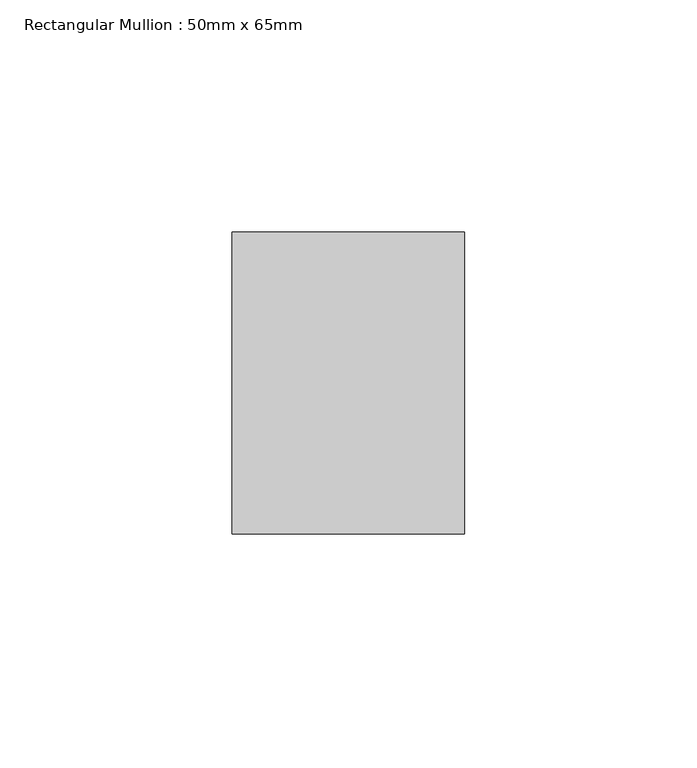
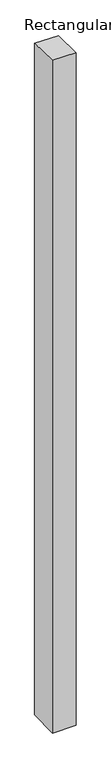
"""IFC4 building model written with IfcOpenShell, lengths in millimetres: member geometry, Rectangular Mullion : 50mm x 65mm."""

from ifc_helpers import new_model, si_unit, origin, place, context, project, spatial, faceted_brep, source, transform, mapped, element, save


def rectangular_mullion_50mm_x_65mm_1185644e(model_context):
    return source(origin(), model_context, "Body", "Brep", [
        faceted_brep([(-25.0, 32.5, -0.7127062), (25.0, 32.5, -0.7127107), (25.0, 32.5, -1499.1016172), (-25.0, 32.5, -1499.1016229), (-25.0, -32.5, 0.7127107), (-25.0, -32.5, -1500.897551), (25.0, -32.5, 0.7127062), (25.0, -32.5, -1500.8975453)], [[[0, 1, 2, 3]], [[4, 0, 3, 5]], [[6, 4, 5, 7]], [[1, 6, 7, 2]], [[1, 0, 4, 6]], [[2, 7, 5, 3]]]),
    ])


if __name__ == "__main__":
    model = new_model("IFC4")
    model_context = context("Model", 3, world=origin())
    ifc_project = project(units=[si_unit("LENGTHUNIT", "METRE", prefix="MILLI")], contexts=[model_context])
    site = spatial("IfcSite", under=ifc_project)
    building = spatial("IfcBuilding", under=site)
    placement = place(None, origin())
    rectangular_mullion_50mm_x_65mm_shape = rectangular_mullion_50mm_x_65mm_1185644e(model_context)
    element("IfcMember", 1, ObjectType="Rectangular Mullion : 50mm x 65mm", at=placement, inside=building, context=model_context, shape_type="MappedRepresentation", body=[
        mapped(rectangular_mullion_50mm_x_65mm_shape, transform((0.0, 0.0, 0.0), x_axis=(1.0, 0.0, 0.0), y_axis=(0.0, 1.0, 0.0), z_axis=(0.0, 0.0, 1.0))),
    ])
    save(model, "model.ifc")
